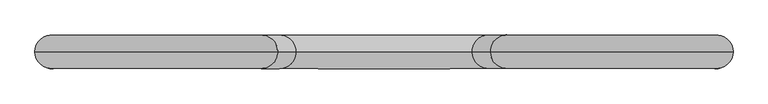
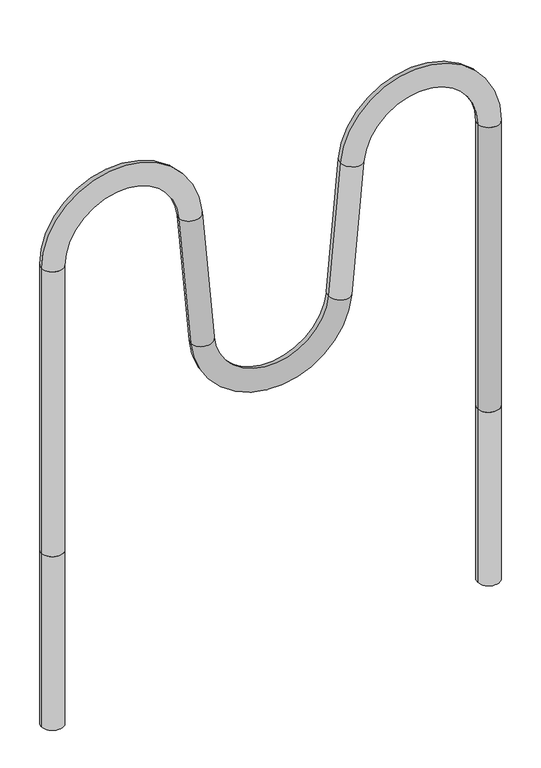
"""IFC4 building model written with IfcOpenShell, lengths in millimetres: furniture geometry."""

from ifc_helpers import new_model, si_unit, point, frame, frame_2d, origin, place, context, project, spatial, circle_curve, ellipse_curve, trimmed, segment, composite_curve, outline, extrude, source, transform, mapped, element, save
from ifc_brep_helpers import plane_surface, cylinder_surface, revolved_surface, advanced_brep


def furniture_8212f9ce(model_context):
    return source(origin(), model_context, "Body", "SolidModel", [
        advanced_brep(
        [(-499.170418, 0.0, 0.0), (-451.170418, 0.0, 0.0), (-499.170418, 0.0, 655.5150113), (-451.170418, 0.0, 655.5150113), (-199.618154, 0.0, 666.4980203), (-151.8008084, 0.0, 670.681496), (-125.7877416, 0.0, 373.3507809), (-173.6050871, 0.0, 369.1673052), (173.6050871, 0.0, 369.1673052), (125.7877416, 0.0, 373.3507809), (151.8008084, 0.0, 670.681496), (199.618154, 0.0, 666.4980203), (451.170418, 0.0, 655.5150113), (499.170418, 0.0, 655.5150113), (499.170418, 0.0, 0.0), (451.170418, 0.0, 0.0)],
        [
            (0, 1, circle_curve(frame((-475.170418, 0.0, 0.0), z_axis=(0.0, 0.0, -1.0), x_axis=(1.0, 0.0, 0.0)), 24.0)),
            (1, 0, circle_curve(frame((-475.170418, 0.0, 0.0), z_axis=(0.0, 0.0, -1.0), x_axis=(1.0, 0.0, 0.0)), 24.0)),
            (0, 2),
            (2, 3, circle_curve(frame((-475.170418, 0.0, 655.5150113), z_axis=(0.0, 0.0, -1.0), x_axis=(1.0, 0.0, 0.0)), 24.0)),
            (3, 1),
            (3, 2, circle_curve(frame((-475.170418, 0.0, 655.5150113), z_axis=(0.0, 0.0, -1.0), x_axis=(1.0, 0.0, 0.0)), 24.0)),
            (4, 3, circle_curve(frame((-325.1545217, 0.0, 655.5150113), z_axis=(0.0, -1.0, 0.0), x_axis=(-1.0, 0.0, 0.0)), 126.0158963)),
            (2, 5, circle_curve(frame((-325.1545217, 0.0, 655.5150113), z_axis=(0.0, 1.0, 0.0), x_axis=(-1.0, 0.0, 0.0)), 174.0158963)),
            (5, 4, circle_curve(frame((-175.7094812, 0.0, 668.5897581), z_axis=(-0.08715574274766273, 0.0, 0.9961946980917452), x_axis=(-0.9961946980917452, 0.0, -0.08715574274766273)), 24.0)),
            (4, 5, circle_curve(frame((-175.7094812, 0.0, 668.5897581), z_axis=(-0.08715574274766186, 0.0, 0.9961946980917452), x_axis=(-0.9961946980917452, 0.0, -0.08715574274766186)), 24.0)),
            (5, 6),
            (6, 7, circle_curve(frame((-149.6964143, 0.0, 371.2590431), z_axis=(-0.08715574274765645, 0.0, 0.9961946980917458), x_axis=(-0.9961946980917458, 0.0, -0.08715574274765645)), 24.0)),
            (7, 4),
            (7, 6, circle_curve(frame((-149.6964143, 0.0, 371.2590431), z_axis=(-0.08715574274765645, 0.0, 0.9961946980917458), x_axis=(-0.9961946980917458, 0.0, -0.08715574274765645)), 24.0)),
            (8, 7, circle_curve(frame((0.0, 0.0, 384.3557823), z_axis=(0.0, 1.0, 0.0), x_axis=(-0.9961946980917463, 0.0, -0.0871557427476491)), 174.2682303)),
            (6, 9, circle_curve(frame((0.0, 0.0, 384.3557823), z_axis=(0.0, -1.0, 0.0), x_axis=(-0.9961946980917463, 0.0, -0.0871557427476491)), 126.2682303)),
            (9, 8, circle_curve(frame((149.6964143, 0.0, 371.2590431), z_axis=(-0.08715574274765434, 0.0, -0.9961946980917459), x_axis=(0.9961946980917459, 0.0, -0.08715574274765434)), 24.0)),
            (8, 9, circle_curve(frame((149.6964143, 0.0, 371.2590431), z_axis=(-0.08715574274765656, 0.0, -0.9961946980917457), x_axis=(0.9961946980917457, 0.0, -0.08715574274765656)), 24.0)),
            (9, 10),
            (10, 11, circle_curve(frame((175.7094812, 0.0, 668.5897581), z_axis=(-0.08715574274765646, 0.0, -0.9961946980917458), x_axis=(0.9961946980917458, 0.0, -0.08715574274765646)), 24.0)),
            (11, 8),
            (11, 10, circle_curve(frame((175.7094812, 0.0, 668.5897581), z_axis=(-0.08715574274765646, 0.0, -0.9961946980917458), x_axis=(0.9961946980917458, 0.0, -0.08715574274765646)), 24.0)),
            (12, 11, circle_curve(frame((325.1545217, 0.0, 655.5150113), z_axis=(0.0, -1.0, 0.0), x_axis=(-0.9961946980917457, 0.0, 0.08715574274765718)), 126.0158963)),
            (10, 13, circle_curve(frame((325.1545217, 0.0, 655.5150113), z_axis=(0.0, 1.0, 0.0), x_axis=(-0.9961946980917457, 0.0, 0.08715574274765718)), 174.0158963)),
            (13, 12, circle_curve(frame((475.170418, 0.0, 655.5150113), z_axis=(0.0, 0.0, 1.0), x_axis=(-1.0, 0.0, 0.0)), 24.0)),
            (12, 13, circle_curve(frame((475.170418, 0.0, 655.5150113), z_axis=(0.0, 0.0, 1.0), x_axis=(-1.0, 0.0, 0.0)), 24.0)),
            (14, 15, circle_curve(frame((475.170418, 0.0, 0.0), z_axis=(0.0, 0.0, -1.0), x_axis=(-1.0, 0.0, 0.0)), 24.0)),
            (15, 14, circle_curve(frame((475.170418, 0.0, 0.0), z_axis=(0.0, 0.0, -1.0), x_axis=(-1.0, 0.0, 0.0)), 24.0)),
            (13, 14),
            (15, 12),
        ],
        [
            plane_surface(frame((-451.170418, 0.0, 0.0), z_axis=(0.0, 0.0, -1.0), x_axis=(0.0, -1.0, 0.0))),
            cylinder_surface(frame((-475.170418, 0.0, 0.0), z_axis=(0.0, 0.0, -1.0), x_axis=(1.0, 0.0, 0.0)), 24.0),
            revolved_surface(trimmed(ellipse_curve(frame((-475.170418, 0.0, 655.5150113), z_axis=(0.0, 0.0, -1.0), x_axis=(1.0, 0.0, 0.0)), 24.0, 24.0), [point((-499.170418, 0.0, 655.5150113))], [point((-451.170418, 0.0, 655.5150113))], True, "CARTESIAN"), (-325.1545217, 0.0, 655.5150113), (0.0, 1.0, 0.0)),
            revolved_surface(trimmed(ellipse_curve(frame((-475.170418, 0.0, 655.5150113), z_axis=(0.0, 0.0, -1.0), x_axis=(1.0, 0.0, 0.0)), 24.0, 24.0), [point((-451.170418, 0.0, 655.5150113))], [point((-499.170418, 0.0, 655.5150113))], True, "CARTESIAN"), (-325.1545217, 0.0, 655.5150113), (0.0, 1.0, 0.0)),
            cylinder_surface(frame((-175.7094812, 0.0, 668.5897581), z_axis=(-0.08715574274765645, 0.0, 0.9961946980917458), x_axis=(-0.9961946980917458, 0.0, -0.08715574274765645)), 24.0),
            revolved_surface(trimmed(ellipse_curve(frame((-149.6964143, 0.0, 371.2590431), z_axis=(-0.08715574274764909, 0.0, 0.9961946980917463), x_axis=(-0.9961946980917463, 0.0, -0.08715574274764909)), 24.0, 24.0), [point((-125.7877416, 0.0, 373.3507809))], [point((-173.6050871, 0.0, 369.1673052))], True, "CARTESIAN"), (0.0, 0.0, 384.3557823), (0.0, -1.0, 0.0)),
            revolved_surface(trimmed(ellipse_curve(frame((-149.6964143, 0.0, 371.2590431), z_axis=(-0.08715574274764909, 0.0, 0.9961946980917463), x_axis=(-0.9961946980917463, 0.0, -0.08715574274764909)), 24.0, 24.0), [point((-173.6050871, 0.0, 369.1673052))], [point((-125.7877416, 0.0, 373.3507809))], True, "CARTESIAN"), (0.0, 0.0, 384.3557823), (0.0, -1.0, 0.0)),
            cylinder_surface(frame((149.6964143, 0.0, 371.2590431), z_axis=(-0.08715574274765646, 0.0, -0.9961946980917458), x_axis=(0.9961946980917458, 0.0, -0.08715574274765646)), 24.0),
            revolved_surface(trimmed(ellipse_curve(frame((175.7094812, 0.0, 668.5897581), z_axis=(-0.08715574274765721, 0.0, -0.9961946980917457), x_axis=(0.9961946980917457, 0.0, -0.08715574274765721)), 24.0, 24.0), [point((151.8008084, 0.0, 670.681496))], [point((199.618154, 0.0, 666.4980203))], True, "CARTESIAN"), (325.1545217, 0.0, 655.5150113), (0.0, 1.0, 0.0)),
            revolved_surface(trimmed(ellipse_curve(frame((175.7094812, 0.0, 668.5897581), z_axis=(-0.08715574274765721, 0.0, -0.9961946980917457), x_axis=(0.9961946980917457, 0.0, -0.08715574274765721)), 24.0, 24.0), [point((199.618154, 0.0, 666.4980203))], [point((151.8008084, 0.0, 670.681496))], True, "CARTESIAN"), (325.1545217, 0.0, 655.5150113), (0.0, 1.0, 0.0)),
            plane_surface(frame((451.170418, 0.0, 0.0), z_axis=(0.0, 0.0, -1.0), x_axis=(0.0, -1.0, 0.0))),
            cylinder_surface(frame((475.170418, 0.0, 655.5150113), z_axis=(0.0, 0.0, 1.0), x_axis=(-1.0, 0.0, 0.0)), 24.0),
        ],
        [
            (0, [[1, 2]]),
            (1, [[-1, 3, 4, 5]]),
            (1, [[-2, -5, 6, -3]]),
            (2, [[7, -4, 8, 9]]),
            (3, [[-8, -6, -7, 10]]),
            (4, [[-9, 11, 12, 13]]),
            (4, [[-10, -13, 14, -11]]),
            (5, [[15, -12, 16, 17]]),
            (6, [[-16, -14, -15, 18]]),
            (7, [[-17, 19, 20, 21]]),
            (7, [[-18, -21, 22, -19]]),
            (8, [[23, -20, 24, 25]]),
            (9, [[-24, -22, -23, 26]]),
            (10, [[27, 28]]),
            (11, [[-25, 29, -28, 30]]),
            (11, [[-26, -30, -27, -29]]),
        ],
    ),
        extrude(outline(composite_curve([segment(trimmed(circle_curve(frame_2d((475.170418, 0.0)), 24.0), [point((499.170418, 0.0))], [point((451.170418, 0.0))], False, "CARTESIAN"), True, "CONTINUOUS"), segment(trimmed(circle_curve(frame_2d((475.170418, 0.0)), 24.0), [point((451.170418, 0.0))], [point((499.170418, 0.0))], False, "CARTESIAN"), True, "CONTINUOUS")], self_intersect=False)), frame((0.0, 0.0, -400.0), z_axis=(0.0, 0.0, 1.0), x_axis=(1.0, 0.0, 0.0)), (0.0, 0.0, 1.0), 400.0),
        extrude(outline(composite_curve([segment(trimmed(circle_curve(frame_2d((-475.170418, 0.0)), 24.0), [point((-499.170418, 0.0))], [point((-451.170418, 0.0))], False, "CARTESIAN"), True, "CONTINUOUS"), segment(trimmed(circle_curve(frame_2d((-475.170418, 0.0)), 24.0), [point((-451.170418, 0.0))], [point((-499.170418, 0.0))], False, "CARTESIAN"), True, "CONTINUOUS")], self_intersect=False)), frame((0.0, 0.0, -400.0), z_axis=(0.0, 0.0, 1.0), x_axis=(1.0, 0.0, 0.0)), (0.0, 0.0, 1.0), 400.0),
    ])


if __name__ == "__main__":
    model = new_model("IFC4")
    model_context = context("Model", 3, world=origin())
    ifc_project = project(units=[si_unit("LENGTHUNIT", "METRE", prefix="MILLI")], contexts=[model_context])
    site = spatial("IfcSite", under=ifc_project)
    building = spatial("IfcBuilding", under=site)
    placement = place(None, origin())
    furniture_shape = furniture_8212f9ce(model_context)
    element("IfcFurniture", 1, at=placement, inside=building, context=model_context, shape_type="MappedRepresentation", body=[
        mapped(furniture_shape, transform((0.0, 0.0, 0.0), x_axis=(1.0, 0.0, 0.0), y_axis=(0.0, 1.0, 0.0), z_axis=(0.0, 0.0, 1.0))),
    ])
    save(model, "model.ifc")
